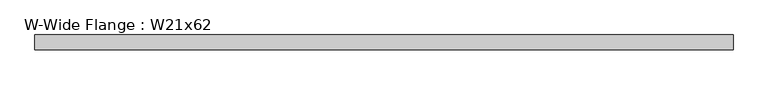
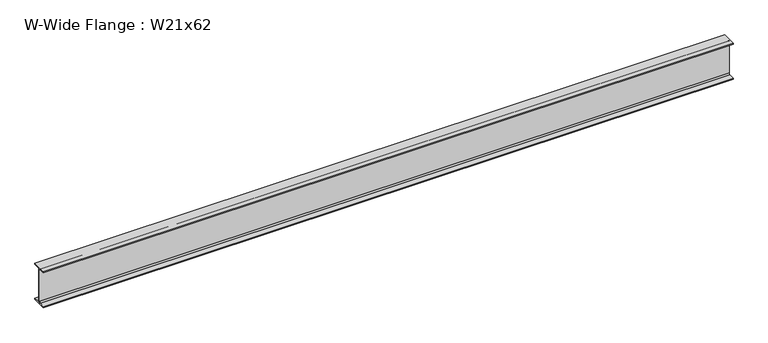
"""IFC4 building model written with IfcOpenShell, lengths in millimetres: beam geometry, W-Wide Flange : W21x62."""

from ifc_helpers import new_model, si_unit, point, frame, frame_2d, origin, place, context, project, spatial, polyline, circle_curve, trimmed, segment, composite_curve, outline, extrude, source, transform, mapped, element, save


def w_wide_flange_w21x62_a7c9693f(model_context):
    return source(origin(), model_context, "Body", "SweptSolid", [
        extrude(outline(composite_curve([segment(polyline([(104.648, -251.079), (104.648, -266.7), (-104.648, -266.7), (-104.648, -251.079), (-22.7965, -251.079)]), True, "CONTINUOUS"), segment(trimmed(circle_curve(frame_2d((-22.7965, -233.3625)), 17.7165), [point((-22.7965, -251.079))], [point((-5.08, -233.3625))], True, "CARTESIAN"), True, "CONTINUOUS"), segment(polyline([(-5.08, -233.3625), (-5.08, 233.3625)]), True, "CONTINUOUS"), segment(trimmed(circle_curve(frame_2d((-22.7965, 233.3625)), 17.7165), [point((-5.08, 233.3625))], [point((-22.7965, 251.079))], True, "CARTESIAN"), True, "CONTINUOUS"), segment(polyline([(-22.7965, 251.079), (-104.648, 251.079), (-104.648, 266.7), (104.648, 266.7), (104.648, 251.079), (22.7965, 251.079)]), True, "CONTINUOUS"), segment(trimmed(circle_curve(frame_2d((22.7965, 233.3625)), 17.7165), [point((22.7965, 251.079))], [point((5.08, 233.3625))], True, "CARTESIAN"), True, "CONTINUOUS"), segment(polyline([(5.08, 233.3625), (5.08, -233.3625)]), True, "CONTINUOUS"), segment(trimmed(circle_curve(frame_2d((22.7965, -233.3625)), 17.7165), [point((5.08, -233.3625))], [point((22.7965, -251.079))], True, "CARTESIAN"), True, "CONTINUOUS"), segment(polyline([(22.7965, -251.079), (104.648, -251.079)]), True, "CONTINUOUS")], self_intersect=False)), frame((-4858.766, 0.0, 0.0), z_axis=(1.0, 0.0, 0.0), x_axis=(0.0, 1.0, 0.0)), (0.0, 0.0, 1.0), 9717.405),
    ])


if __name__ == "__main__":
    model = new_model("IFC4")
    model_context = context("Model", 3, world=origin())
    ifc_project = project(units=[si_unit("LENGTHUNIT", "METRE", prefix="MILLI")], contexts=[model_context])
    site = spatial("IfcSite", under=ifc_project)
    building = spatial("IfcBuilding", under=site)
    placement = place(None, origin())
    w_wide_flange_w21x62_shape = w_wide_flange_w21x62_a7c9693f(model_context)
    element("IfcBeam", 1, ObjectType="W-Wide Flange : W21x62", at=placement, inside=building, context=model_context, shape_type="MappedRepresentation", body=[
        mapped(w_wide_flange_w21x62_shape, transform((0.0, 0.0, 0.0), x_axis=(1.0, 0.0, 0.0), y_axis=(0.0, 1.0, 0.0), z_axis=(0.0, 0.0, 1.0))),
    ])
    save(model, "model.ifc")
